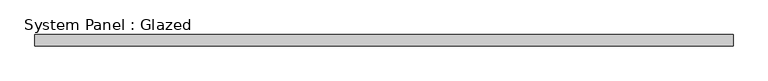
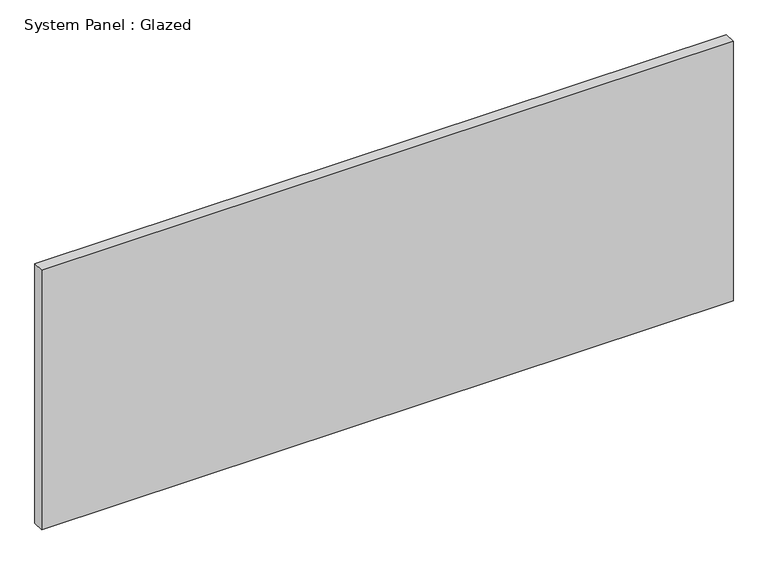
"""IFC4 building model written with IfcOpenShell, lengths in millimetres: plate geometry, System Panel : Glazed."""

from ifc_helpers import new_model, si_unit, origin, origin_with_axes, place, context, project, spatial, polyline, outline, extrude, source, transform, mapped, element, save


def system_panel_glazed_956e323c(model_context):
    return source(origin(), model_context, "Body", "SweptSolid", [
        extrude(outline(polyline([(768.35, 19.05), (-768.35, 19.05), (-768.35, 44.45), (768.35, 44.45), (768.35, 19.05)])), origin_with_axes(), (0.0, 0.0, 1.0), 609.6),
    ])


if __name__ == "__main__":
    model = new_model("IFC4")
    model_context = context("Model", 3, world=origin())
    ifc_project = project(units=[si_unit("LENGTHUNIT", "METRE", prefix="MILLI")], contexts=[model_context])
    site = spatial("IfcSite", under=ifc_project)
    building = spatial("IfcBuilding", under=site)
    placement = place(None, origin())
    system_panel_glazed_shape = system_panel_glazed_956e323c(model_context)
    element("IfcPlate", 1, ObjectType="System Panel : Glazed", at=placement, inside=building, context=model_context, shape_type="MappedRepresentation", body=[
        mapped(system_panel_glazed_shape, transform((0.0, 0.0, 0.0), x_axis=(1.0, 0.0, 0.0), y_axis=(0.0, 1.0, 0.0), z_axis=(0.0, 0.0, 1.0))),
    ])
    save(model, "model.ifc")
